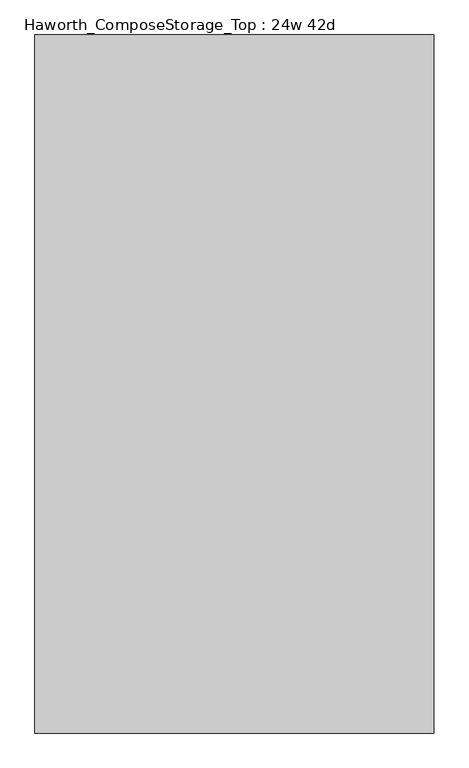
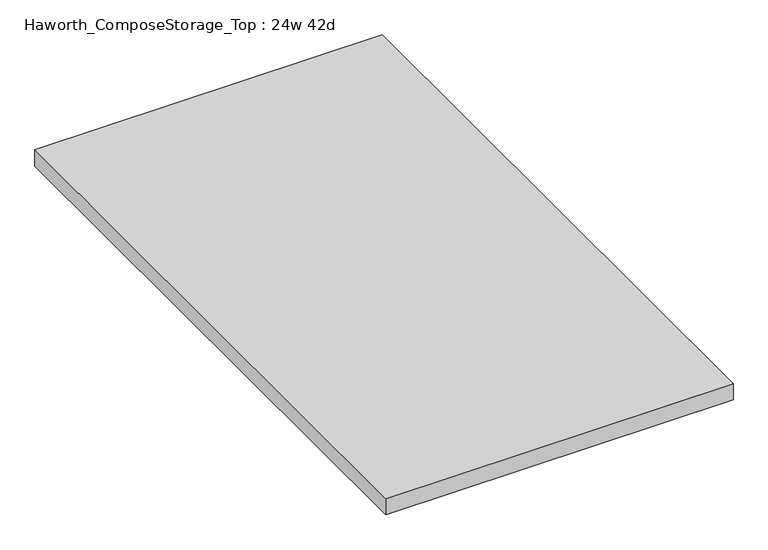
"""IFC4 building model written with IfcOpenShell, lengths in millimetres: furniture geometry, Haworth_ComposeStorage_Top : 24w 42d."""

from ifc_helpers import new_model, si_unit, frame, origin, place, context, project, spatial, polyline, outline, extrude, source, transform, mapped, element, save


def haworth_composestorage_top_24w_42d_4a8d7592(model_context):
    return source(origin(), model_context, "Body", "SweptSolid", [
        extrude(outline(polyline([(304.8, 533.4), (304.8, -533.4), (-304.8, -533.4), (-304.8, 533.4), (304.8, 533.4)])), frame((0.0, 0.0, 706.4375), z_axis=(0.0, 0.0, 1.0), x_axis=(1.0, 0.0, 0.0)), (0.0, 0.0, 1.0), 30.1625),
    ])


if __name__ == "__main__":
    model = new_model("IFC4")
    model_context = context("Model", 3, world=origin())
    ifc_project = project(units=[si_unit("LENGTHUNIT", "METRE", prefix="MILLI")], contexts=[model_context])
    site = spatial("IfcSite", under=ifc_project)
    building = spatial("IfcBuilding", under=site)
    placement = place(None, origin())
    haworth_composestorage_top_24w_42d_shape = haworth_composestorage_top_24w_42d_4a8d7592(model_context)
    element("IfcFurniture", 1, ObjectType="Haworth_ComposeStorage_Top : 24w 42d", at=placement, inside=building, context=model_context, shape_type="MappedRepresentation", body=[
        mapped(haworth_composestorage_top_24w_42d_shape, transform((0.0, 0.0, 0.0), x_axis=(1.0, 0.0, 0.0), y_axis=(0.0, 1.0, 0.0), z_axis=(0.0, 0.0, 1.0))),
    ])
    save(model, "model.ifc")
